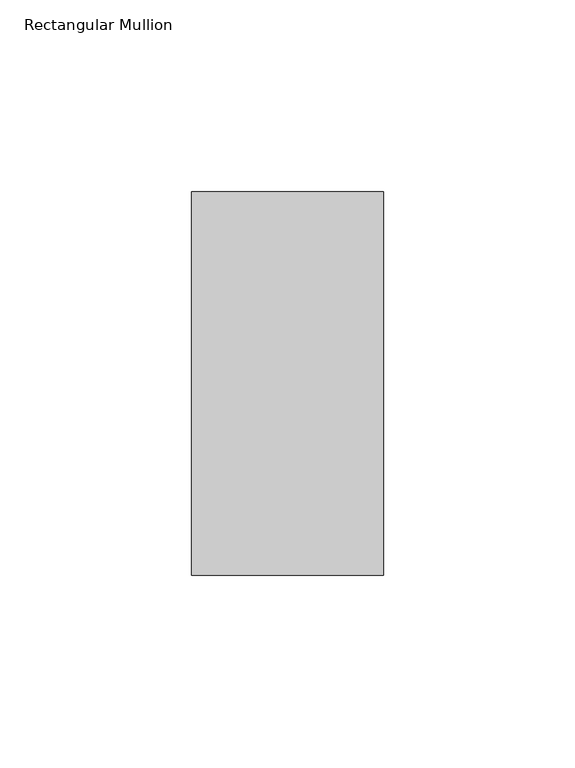
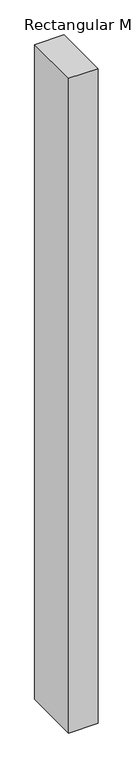
"""IFC4 building model written with IfcOpenShell, lengths in millimetres: member geometry, Rectangular Mullion."""

import ifcopenshell
import ifcopenshell.guid

model = None  # the IFC model being written
_history = None  # IfcOwnerHistory: only IFC2X3 demands one
_inside = {}  # id of a spatial element -> (the spatial element, [elements in it])
_under = {}  # id of a project, library or spatial element -> (it, [spatial elements below it])
_declared = {}  # id of a project -> (the project, [libraries it declares])
_typed = {}  # id of a type object -> (the type object, [elements of that type])
_made_of = {}  # id of a material, layer set ... -> (it, [elements and type objects made of it])


def new_model(schema):
    """Start an empty IFC model of exactly this schema.

    Asked for "IFC4X3", IfcOpenShell would pick the latest addendum, in which some entities
    have other attributes; the version numbers below select the first issue.
    IFC2X3 requires an IfcOwnerHistory on every rooted entity: one is made here for all.
    """
    global model, _history
    if schema == "IFC4X3":
        model = ifcopenshell.file(schema_version=(4, 3, 0, 0))
    else:
        model = ifcopenshell.file(schema=schema)
    _inside.clear()
    _under.clear()
    _declared.clear()
    _typed.clear()
    _made_of.clear()
    _history = None
    if model.schema == "IFC2X3":
        org = make("IfcOrganization", Name="unknown")
        user = make(
            "IfcPersonAndOrganization",
            ThePerson=make("IfcPerson", FamilyName="unknown"),
            TheOrganization=org,
        )
        app = make(
            "IfcApplication",
            ApplicationDeveloper=org,
            Version="unknown",
            ApplicationFullName="unknown",
            ApplicationIdentifier="unknown",
        )
        _history = make(
            "IfcOwnerHistory",
            OwningUser=user,
            OwningApplication=app,
            ChangeAction="ADDED",
            CreationDate=0,
        )
    return model


def make(cls, **values):
    """One entity of the class cls with the attributes given. An attribute that is None is left unset."""
    return model.create_entity(
        cls, **{name: value for name, value in values.items() if value is not None}
    )


def rooted(cls, **values):
    """An entity with a GlobalId (a new one), such as an element, a storey or a relation."""
    return make(cls, GlobalId=ifcopenshell.guid.new(), OwnerHistory=_history, **values)


def si_unit(unit_type, name, prefix=None):
    """IfcSIUnit, for example si_unit("LENGTHUNIT", "METRE", prefix="MILLI")."""
    return make("IfcSIUnit", UnitType=unit_type, Prefix=prefix, Name=name)


def assignment(units):
    """IfcUnitAssignment: the units of a project."""
    return None if units is None else make("IfcUnitAssignment", Units=units)


def point(xyz):
    """IfcCartesianPoint."""
    return None if xyz is None else make("IfcCartesianPoint", Coordinates=xyz)


def direction(xyz):
    """IfcDirection."""
    return None if xyz is None else make("IfcDirection", DirectionRatios=xyz)


def frame(location, z_axis=None, x_axis=None):
    """IfcAxis2Placement3D, a coordinate frame: its origin and axes. An axis left out is left unset."""
    return make(
        "IfcAxis2Placement3D",
        Location=point(location),
        Axis=direction(z_axis),
        RefDirection=direction(x_axis),
    )


def origin():
    """The frame at (0, 0, 0) with its axes left unset."""
    return frame((0.0, 0.0, 0.0))


def place(relative_to, where):
    """IfcLocalPlacement: puts the frame where relative to a parent placement (None: the world)."""
    return make(
        "IfcLocalPlacement", PlacementRelTo=relative_to, RelativePlacement=where
    )


def context(
    kind, dimensions, precision=None, world=None, true_north=None, identifier=None
):
    """IfcGeometricRepresentationContext, for example the 3D "Model" context."""
    return make(
        "IfcGeometricRepresentationContext",
        ContextIdentifier=identifier,
        ContextType=kind,
        CoordinateSpaceDimension=dimensions,
        Precision=precision,
        WorldCoordinateSystem=world,
        TrueNorth=true_north,
    )


def project(units=None, contexts=None):
    """IfcProject with its units and contexts."""
    return rooted(
        "IfcProject",
        Name="project",
        RepresentationContexts=contexts,
        UnitsInContext=assignment(units),
    )


def spatial(cls, under=None, at=None, **own):
    """A site, building, storey or space (cls), placed at a placement, below another one or the project."""
    s = rooted(cls, ObjectPlacement=at, **own)
    if under is not None:
        _under.setdefault(under.id(), (under, []))[1].append(s)
    return s


def polyline(points):
    """IfcPolyline through the points."""
    return make("IfcPolyline", Points=[point(p) for p in points])


def outline(outer, holes=None, kind="AREA"):
    """IfcArbitraryClosedProfileDef: a profile drawn as a closed curve; with holes, ...WithVoids."""
    if holes is None:
        return make("IfcArbitraryClosedProfileDef", ProfileType=kind, OuterCurve=outer)
    return make(
        "IfcArbitraryProfileDefWithVoids",
        ProfileType=kind,
        OuterCurve=outer,
        InnerCurves=holes,
    )


def extrude(swept, where, along, depth):
    """IfcExtrudedAreaSolid: the profile swept, set in the frame where, extruded along a direction by depth."""
    return make(
        "IfcExtrudedAreaSolid",
        SweptArea=swept,
        Position=where,
        ExtrudedDirection=direction(along),
        Depth=depth,
    )


def shape(context_of_items, identifier, shape_type, items):
    """IfcShapeRepresentation: the items that make up one representation, for example the "Body"."""
    return make(
        "IfcShapeRepresentation",
        ContextOfItems=context_of_items,
        RepresentationIdentifier=identifier,
        RepresentationType=shape_type,
        Items=items,
    )


def source(mapping_origin, context_of_items, identifier, shape_type, items):
    """IfcRepresentationMap: a shape defined once, which mapped items show again and again."""
    return make(
        "IfcRepresentationMap",
        MappingOrigin=mapping_origin,
        MappedRepresentation=shape(context_of_items, identifier, shape_type, items),
    )


def transform(
    local_origin,
    x_axis=None,
    y_axis=None,
    z_axis=None,
    scale=None,
    scale2=None,
    scale3=None,
    uniform=True,
):
    """IfcCartesianTransformationOperator3D, or its non-uniform kind. x_axis, y_axis, z_axis: its Axis1, 2, 3."""
    if uniform:
        return make(
            "IfcCartesianTransformationOperator3D",
            Axis1=direction(x_axis),
            Axis2=direction(y_axis),
            LocalOrigin=point(local_origin),
            Scale=scale,
            Axis3=direction(z_axis),
        )
    return make(
        "IfcCartesianTransformationOperator3DnonUniform",
        Axis1=direction(x_axis),
        Axis2=direction(y_axis),
        LocalOrigin=point(local_origin),
        Scale=scale,
        Axis3=direction(z_axis),
        Scale2=scale2,
        Scale3=scale3,
    )


def mapped(mapping_source, mapping_target):
    """IfcMappedItem: shows the shape of a source again, moved by a transform."""
    return make(
        "IfcMappedItem", MappingSource=mapping_source, MappingTarget=mapping_target
    )


def made_of(thing, what):
    """Note that an element or type object is made of a material, layer set ...; save() writes the relation."""
    if what is not None:
        _made_of.setdefault(what.id(), (what, []))[1].append(thing)
    return thing


def element(
    cls,
    number,
    at=None,
    inside=None,
    cuts=None,
    type_object=None,
    material=None,
    context=None,
    identifier="Body",
    shape_type=None,
    held_by="IfcProductDefinitionShape",
    body=None,
    shapes=None,
    **own,
):
    """One element of the class cls, such as IfcWall. Its Tag is "e" and its number.

    at: its placement. inside: the storey or other place that contains it. cuts: it is an
    opening in that element (IfcRelVoidsElement). A single representation is given by context,
    identifier, shape_type and body (its items); several are given by shapes. held_by: the class
    of the entity that holds the representations. save() writes the other relations.
    """
    e = rooted(cls, Tag="e%d" % number, ObjectPlacement=at, **own)
    if body is not None:
        shapes = [shape(context, identifier, shape_type, body)]
    if shapes is not None:
        e.Representation = make(held_by, Representations=shapes)
    if inside is not None:
        _inside.setdefault(inside.id(), (inside, []))[1].append(e)
    if cuts is not None:
        rooted(
            "IfcRelVoidsElement", RelatingBuildingElement=cuts, RelatedOpeningElement=e
        )
    if type_object is not None:
        _typed.setdefault(type_object.id(), (type_object, []))[1].append(e)
    return made_of(e, material)


def aggregate(whole, parts):
    """IfcRelAggregates: a whole, such as a stair, and the parts it consists of."""
    return rooted("IfcRelAggregates", RelatingObject=whole, RelatedObjects=parts)


def save(model, path):
    """Write the relations noted so far, then the file.

    IfcRelAggregates (storeys below a building ...), IfcRelContainedInSpatialStructure (elements
    in a storey), IfcRelDefinesByType, IfcRelAssociatesMaterial and IfcRelDeclares: one each for
    every whole, place, type object, material and project.
    """
    for whole, parts in _under.values():
        aggregate(whole, parts)
    for where, things in _inside.values():
        rooted(
            "IfcRelContainedInSpatialStructure",
            RelatedElements=things,
            RelatingStructure=where,
        )
    for kind, things in _typed.values():
        rooted("IfcRelDefinesByType", RelatedObjects=things, RelatingType=kind)
    for what, things in _made_of.values():
        rooted("IfcRelAssociatesMaterial", RelatedObjects=things, RelatingMaterial=what)
    for by, libraries in _declared.values():
        rooted("IfcRelDeclares", RelatingContext=by, RelatedDefinitions=libraries)
    model.write(path)


def rectangular_mullion_bcfb10b2(model_context):
    return source(origin(), model_context, "Body", "SweptSolid", [
        extrude(outline(polyline([(25.0, 31.0), (25.0, -69.0), (-25.0, -69.0), (-25.0, 31.0), (25.0, 31.0)])), frame((0.0, 0.0, -1175.0), z_axis=(0.0, 0.0, 1.0), x_axis=(1.0, 0.0, 0.0)), (0.0, 0.0, 1.0), 1175.0),
    ])


if __name__ == "__main__":
    model = new_model("IFC4")
    model_context = context("Model", 3, world=origin())
    ifc_project = project(units=[si_unit("LENGTHUNIT", "METRE", prefix="MILLI")], contexts=[model_context])
    site = spatial("IfcSite", under=ifc_project)
    building = spatial("IfcBuilding", under=site)
    placement = place(None, origin())
    rectangular_mullion_shape = rectangular_mullion_bcfb10b2(model_context)
    element("IfcMember", 1, ObjectType="Rectangular Mullion", at=placement, inside=building, context=model_context, shape_type="MappedRepresentation", body=[
        mapped(rectangular_mullion_shape, transform((0.0, 0.0, 0.0), x_axis=(1.0, 0.0, 0.0), y_axis=(0.0, 1.0, 0.0), z_axis=(0.0, 0.0, 1.0))),
    ])
    save(model, "model.ifc")
